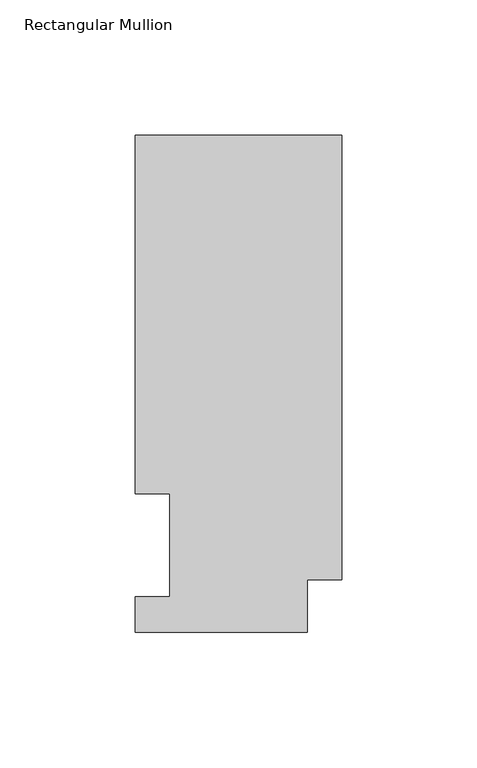
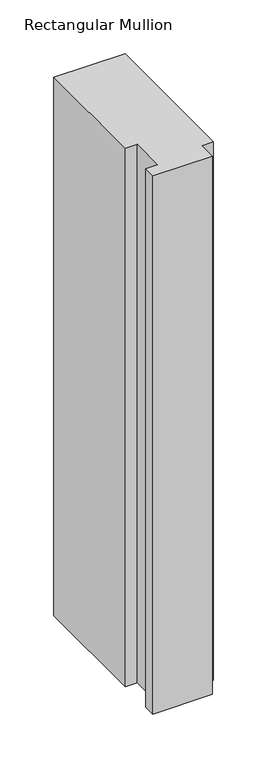
"""IFC4 building model written with IfcOpenShell, lengths in millimetres: member geometry, Rectangular Mullion."""

from ifc_helpers import new_model, si_unit, frame, origin, place, context, project, spatial, polyline, outline, extrude, source, transform, mapped, element, save


def rectangular_mullion_31ace8d5(model_context):
    return source(origin(), model_context, "Body", "SweptSolid", [
        extrude(outline(polyline([(-76.2000004, 183.6764448), (0.0, 183.6764448), (0.0, 19.5670448), (-12.7, 19.5670448), (-12.7, 0.0344448), (-76.2, 0.0344446), (-76.2, 13.2170446), (-63.5127001, 13.2170446), (-63.5127002, 51.2960938), (-76.2000004, 51.2960938), (-76.2000004, 183.6764448)])), frame((0.0, 0.0, -609.6), z_axis=(0.0, 0.0, 1.0), x_axis=(1.0, 0.0, 0.0)), (0.0, 0.0, 1.0), 609.6),
    ])


if __name__ == "__main__":
    model = new_model("IFC4")
    model_context = context("Model", 3, world=origin())
    ifc_project = project(units=[si_unit("LENGTHUNIT", "METRE", prefix="MILLI")], contexts=[model_context])
    site = spatial("IfcSite", under=ifc_project)
    building = spatial("IfcBuilding", under=site)
    placement = place(None, origin())
    rectangular_mullion_shape = rectangular_mullion_31ace8d5(model_context)
    element("IfcMember", 1, ObjectType="Rectangular Mullion", at=placement, inside=building, context=model_context, shape_type="MappedRepresentation", body=[
        mapped(rectangular_mullion_shape, transform((0.0, 0.0, 0.0), x_axis=(1.0, 0.0, 0.0), y_axis=(0.0, 1.0, 0.0), z_axis=(0.0, 0.0, 1.0))),
    ])
    save(model, "model.ifc")
